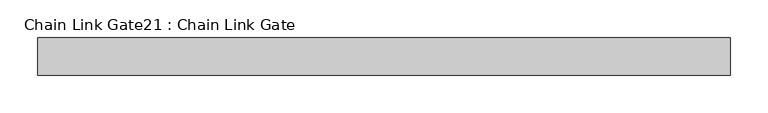
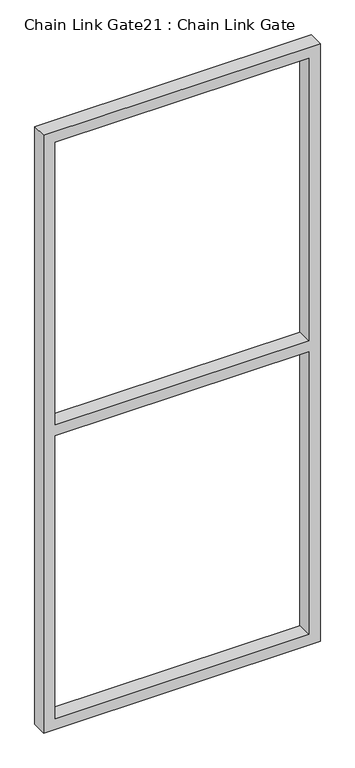
"""IFC4 building model written with IfcOpenShell, lengths in millimetres: proxy geometry, Chain Link Gate21 : Chain Link Gate."""

from ifc_helpers import new_model, si_unit, frame, origin, place, context, project, spatial, polyline, outline, extrude, source, transform, mapped, element, save


def chain_link_gate21_chain_link_gate_a3b4f03b(model_context):
    return source(origin(), model_context, "Body", "SweptSolid", [
        extrude(outline(polyline([(2120.9, -10833.1098205), (12.7, -10833.1098205), (12.7, -9909.1848205), (2120.9, -9909.1848205), (2120.9, -10833.1098205)]), holes=[polyline([(2082.8, -10795.0098205), (2082.8, -9947.2848205), (1085.85, -9947.2848205), (1085.85, -10795.0098205), (2082.8, -10795.0098205)]), polyline([(1047.75, -9947.2848205), (50.8, -9947.2848205), (50.8, -10795.0098205), (1047.75, -10795.0098205), (1047.75, -9947.2848205)])]), frame((0.0, 15493.7112077, 0.0), z_axis=(0.0, 1.0, 0.0), x_axis=(0.0, 0.0, 1.0)), (0.0, 0.0, 1.0), 50.1314753),
    ])


if __name__ == "__main__":
    model = new_model("IFC4")
    model_context = context("Model", 3, world=origin())
    ifc_project = project(units=[si_unit("LENGTHUNIT", "METRE", prefix="MILLI")], contexts=[model_context])
    site = spatial("IfcSite", under=ifc_project)
    building = spatial("IfcBuilding", under=site)
    placement = place(None, origin())
    chain_link_gate21_chain_link_gate_shape = chain_link_gate21_chain_link_gate_a3b4f03b(model_context)
    element("IfcBuildingElementProxy", 1, Name="Chain Link Gate21 : Chain Link Gate", ObjectType="Chain Link Gate21 : Chain Link Gate", at=placement, inside=building, context=model_context, shape_type="MappedRepresentation", body=[
        mapped(chain_link_gate21_chain_link_gate_shape, transform((0.0, 0.0, 0.0), x_axis=(1.0, 0.0, 0.0), y_axis=(0.0, 1.0, 0.0), z_axis=(0.0, 0.0, 1.0))),
    ])
    save(model, "model.ifc")
